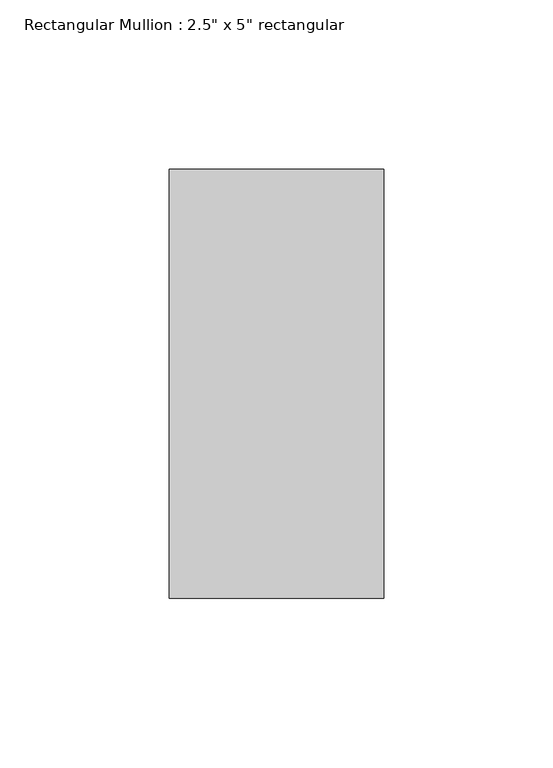
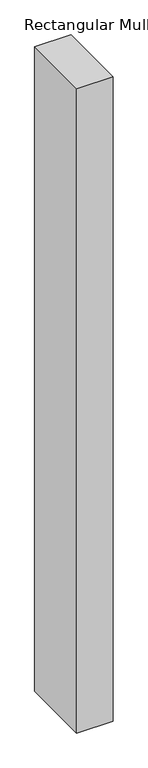
"""IFC4 building model written with IfcOpenShell, lengths in millimetres: member geometry."""

from ifc_helpers import new_model, si_unit, frame, origin, place, context, project, spatial, polyline, outline, extrude, source, transform, mapped, element, save


def member_3b6288ee(model_context):
    return source(origin(), model_context, "Body", "SweptSolid", [
        extrude(outline(polyline([(31.75, 63.5), (31.75, -63.5), (-31.75, -63.5), (-31.75, 63.5), (31.75, 63.5)])), frame((0.0, 0.0, -1187.3), z_axis=(0.0, 0.0, 1.0), x_axis=(1.0, 0.0, 0.0)), (0.0, 0.0, 1.0), 1187.3),
    ])


if __name__ == "__main__":
    model = new_model("IFC4")
    model_context = context("Model", 3, world=origin())
    ifc_project = project(units=[si_unit("LENGTHUNIT", "METRE", prefix="MILLI")], contexts=[model_context])
    site = spatial("IfcSite", under=ifc_project)
    building = spatial("IfcBuilding", under=site)
    placement = place(None, origin())
    member_shape = member_3b6288ee(model_context)
    element("IfcMember", 1, ObjectType="Rectangular Mullion : 2.5\" x 5\" rectangular", at=placement, inside=building, context=model_context, shape_type="MappedRepresentation", body=[
        mapped(member_shape, transform((0.0, 0.0, 0.0), x_axis=(1.0, 0.0, 0.0), y_axis=(0.0, 1.0, 0.0), z_axis=(0.0, 0.0, 1.0))),
    ])
    save(model, "model.ifc")
